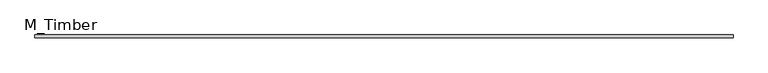
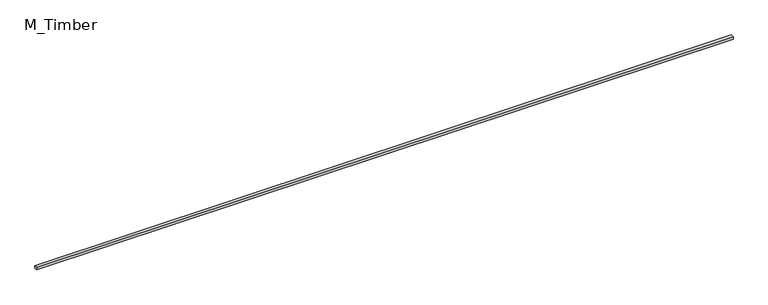
"""IFC4 building model written with IfcOpenShell, lengths in millimetres: beam geometry, M_Timber."""

from ifc_helpers import new_model, si_unit, frame, origin, place, context, project, spatial, polyline, outline, extrude, source, transform, mapped, element, save


def m_timber_b2316628(model_context):
    return source(origin(), model_context, "Body", "SweptSolid", [
        extrude(outline(polyline([(4809.7284328, 20.0), (4809.7284328, -20.0), (-4809.7284328, -20.0), (-4809.7284328, 20.0), (4809.7284328, 20.0)])), frame((0.0, 0.0, -20.0), z_axis=(0.0, 0.0, 1.0), x_axis=(1.0, 0.0, 0.0)), (0.0, 0.0, 1.0), 40.0),
    ])


if __name__ == "__main__":
    model = new_model("IFC4")
    model_context = context("Model", 3, world=origin())
    ifc_project = project(units=[si_unit("LENGTHUNIT", "METRE", prefix="MILLI")], contexts=[model_context])
    site = spatial("IfcSite", under=ifc_project)
    building = spatial("IfcBuilding", under=site)
    placement = place(None, origin())
    m_timber_shape = m_timber_b2316628(model_context)
    element("IfcBeam", 1, ObjectType="M_Timber", at=placement, inside=building, context=model_context, shape_type="MappedRepresentation", body=[
        mapped(m_timber_shape, transform((0.0, 0.0, 0.0), x_axis=(1.0, 0.0, 0.0), y_axis=(0.0, 1.0, 0.0), z_axis=(0.0, 0.0, 1.0))),
    ])
    save(model, "model.ifc")
